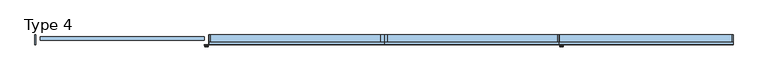
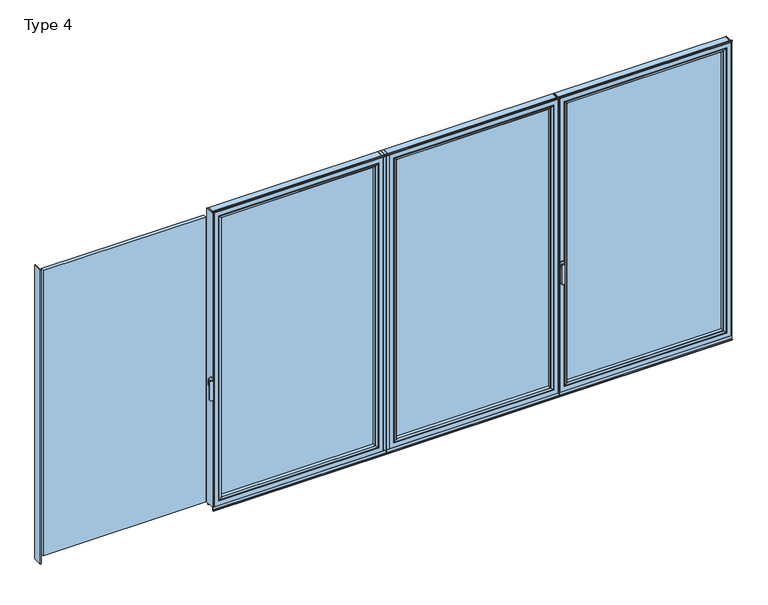
"""IFC4 building model written with IfcOpenShell, lengths in millimetres: window geometry, Type 4."""

from ifc_helpers import new_model, si_unit, point, frame, frame_2d, origin, place, context, project, spatial, polyline, circle_curve, ellipse_curve, trimmed, segment, composite_curve, outline, extrude, source, transform, mapped, element, save
from ifc_brep_helpers import plane_surface, cylinder_surface, extruded_surface, advanced_brep


def type_4_e42dda11(model_context):
    return source(origin(), model_context, "Body", "SolidModel", [
        extrude(outline(polyline([(0.0, 0.0), (0.0, -70.0), (-22.5, -70.0), (-22.5, 0.0), (0.0, 0.0)])), frame((0.0, 0.0, 75.0), z_axis=(0.0, 0.0, 1.0), x_axis=(1.0, 0.0, 0.0)), (0.0, 0.0, 1.0), 2262.0),
        extrude(outline(polyline([(-1259.4, 0.0), (-1253.4, 0.0), (-1253.4, -70.0), (-1259.4, -70.0), (-1259.4, 0.0)])), frame((0.0, 0.0, 75.0), z_axis=(0.0, 0.0, 1.0), x_axis=(1.0, 0.0, 0.0)), (0.0, 0.0, 1.0), 2262.0),
        extrude(outline(polyline([(-54.5, -13.999939), (-54.5, -37.9928974), (-1221.4, -37.9928974), (-1221.4, -13.999939), (-54.5, -13.999939)])), frame((0.0, 0.0, 107.0), z_axis=(0.0, 0.0, 1.0), x_axis=(1.0, 0.0, 0.0)), (0.0, 0.0, 1.0), 2198.0),
        advanced_brep(
        [(-1199.4004272, -64.5552044, 2283.0004272), (-1199.4004272, -64.5552044, 128.9995728), (-1199.4004272, -37.9928974, 128.9995728), (-1199.4004272, -37.9928974, 2283.0004272), (-1221.4, -37.9928974, 2305.0), (-54.5, -37.9928974, 2305.0), (-54.5, -37.9928974, 107.0), (-1221.4, -37.9928974, 107.0), (-76.4995728, -37.9928974, 2283.0004272), (-76.4995728, -37.9928974, 128.9995728), (-76.4995728, -64.5552044, 128.9995728), (-1200.1099707, -65.8045072, 2283.7099707), (-1200.1099707, -65.8045072, 128.2900293), (-75.7900293, -65.8045072, 128.2900293), (-1215.400061, -70.0, 2299.000061), (-1215.400061, -70.0, 112.999939), (-60.499939, -70.0, 112.999939), (-54.5, -70.0, 2305.0), (-1221.4, -70.0, 2305.0), (-1221.4, -70.0, 107.0), (-54.5, -70.0, 107.0), (-60.499939, -70.0, 2299.000061), (-76.4995728, -64.5552044, 2283.0004272), (-75.7900293, -65.8045072, 2283.7099707)],
        [
            (0, 1),
            (1, 2),
            (2, 3),
            (3, 0),
            (4, 5),
            (5, 6),
            (6, 7),
            (7, 4),
            (8, 3),
            (2, 9),
            (9, 8),
            (1, 10),
            (10, 9),
            (11, 12),
            (12, 1, ellipse_curve(frame((-1200.8550312, -64.5552044, 127.5449688), z_axis=(-0.7071067811865475, 0.0, 0.7071067811865475), x_axis=(0.7071067811865474, 0.0, 0.7071067811865476)), 2.0571207, 1.454604)),
            (0, 11, ellipse_curve(frame((-1200.8550312, -64.5552044, 2284.4550312), z_axis=(-0.7071067811865475, 0.0, -0.7071067811865475), x_axis=(-0.7071067811865474, 0.0, 0.7071067811865476)), 2.0571207, 1.454604)),
            (12, 13),
            (13, 10, ellipse_curve(frame((-75.0449688, -64.5552044, 127.5449688), z_axis=(-0.7071067811865475, 0.0, -0.7071067811865475), x_axis=(-0.7071067811865476, 0.0, 0.7071067811865474)), 2.0571207, 1.454604)),
            (14, 15),
            (15, 12, ellipse_curve(frame((-1215.3361254, -40.2735922, 113.0638746), z_axis=(-0.7071067811865475, 0.0, 0.7071067811865475), x_axis=(0.7071067811865474, 0.0, 0.7071067811865476)), 42.0395863, 29.7264765)),
            (11, 14, ellipse_curve(frame((-1215.3361254, -40.2735922, 2298.9361254), z_axis=(-0.7071067811865475, 0.0, -0.7071067811865475), x_axis=(-0.7071067811865474, 0.0, 0.7071067811865476)), 42.0395863, 29.7264765)),
            (15, 16),
            (16, 13, ellipse_curve(frame((-60.5638746, -40.2735922, 113.0638746), z_axis=(-0.7071067811865475, 0.0, -0.7071067811865475), x_axis=(-0.7071067811865476, 0.0, 0.7071067811865474)), 42.0395863, 29.7264765)),
            (17, 18),
            (18, 19),
            (19, 20),
            (20, 17),
            (14, 21),
            (21, 16),
            (7, 19),
            (18, 4),
            (6, 20),
            (10, 22),
            (22, 8),
            (13, 23),
            (23, 22, ellipse_curve(frame((-75.0449688, -64.5552044, 2284.4550312), z_axis=(0.7071067811865475, 0.0, -0.7071067811865475), x_axis=(-0.7071067811865474, 0.0, -0.7071067811865476)), 2.0571207, 1.454604)),
            (21, 23, ellipse_curve(frame((-60.5638746, -40.2735922, 2298.9361254), z_axis=(0.7071067811865475, 0.0, -0.7071067811865475), x_axis=(-0.7071067811865474, 0.0, -0.7071067811865476)), 42.0395863, 29.7264765)),
            (5, 17),
            (22, 0),
            (23, 11),
        ],
        [
            plane_surface(frame((-1199.4004272, -37.9928974, 2283.0004272), z_axis=(1.0, 0.0, 0.0), x_axis=(0.0, 0.0, -1.0))),
            plane_surface(frame((-54.5, -37.9928974, 107.0), z_axis=(0.0, 1.0, 0.0), x_axis=(0.0, 0.0, 1.0))),
            plane_surface(frame((-1199.4004272, -37.9928974, 128.9995728), z_axis=(0.0, 0.0, 1.0), x_axis=(1.0, 0.0, 0.0))),
            cylinder_surface(frame((-1200.8550312, -64.5552044, 2283.0004272), z_axis=(0.0, 0.0, 1.0), x_axis=(-1.0, 0.0, 0.0)), 1.454604),
            cylinder_surface(frame((-1199.4004272, -64.5552044, 127.5449688), z_axis=(-1.0, 0.0, 0.0), x_axis=(0.0, 0.0, -1.0)), 1.454604),
            cylinder_surface(frame((-1215.3361254, -40.2735922, 2283.0004272), z_axis=(0.0, 0.0, 1.0), x_axis=(-1.0, 0.0, 0.0)), 29.7264765),
            cylinder_surface(frame((-1199.4004272, -40.2735922, 113.0638746), z_axis=(-1.0, 0.0, 0.0), x_axis=(0.0, 0.0, -1.0)), 29.7264765),
            plane_surface(frame((-60.499939, -70.0, 112.999939), z_axis=(0.0, -1.0, 0.0), x_axis=(0.0, 0.0, 1.0))),
            plane_surface(frame((-1221.4, -70.0, 2305.0), z_axis=(-1.0, 0.0, 0.0), x_axis=(0.0, 0.0, -1.0))),
            plane_surface(frame((-1221.4, -70.0, 107.0), z_axis=(0.0, 0.0, -1.0), x_axis=(1.0, 0.0, 0.0))),
            plane_surface(frame((-76.4995728, -37.9928974, 128.9995728), z_axis=(-1.0, 0.0, 0.0), x_axis=(0.0, 0.0, 1.0))),
            cylinder_surface(frame((-75.0449688, -64.5552044, 128.9995728), z_axis=(0.0, 0.0, -1.0), x_axis=(1.0, 0.0, 0.0)), 1.454604),
            cylinder_surface(frame((-60.5638746, -40.2735922, 128.9995728), z_axis=(0.0, 0.0, -1.0), x_axis=(1.0, 0.0, 0.0)), 29.7264765),
            plane_surface(frame((-54.5, -70.0, 107.0), z_axis=(1.0, 0.0, 0.0), x_axis=(0.0, 0.0, 1.0))),
            plane_surface(frame((-76.4995728, -37.9928974, 2283.0004272), z_axis=(0.0, 0.0, -1.0), x_axis=(-1.0, 0.0, 0.0))),
            cylinder_surface(frame((-76.4995728, -64.5552044, 2284.4550312), z_axis=(1.0, 0.0, 0.0), x_axis=(0.0, 0.0, 1.0)), 1.454604),
            cylinder_surface(frame((-76.4995728, -40.2735922, 2298.9361254), z_axis=(1.0, 0.0, 0.0), x_axis=(0.0, 0.0, 1.0)), 29.7264765),
            plane_surface(frame((-54.5, -70.0, 2305.0), z_axis=(0.0, 0.0, 1.0), x_axis=(-1.0, 0.0, 0.0))),
        ],
        [
            (0, [[1, 2, 3, 4]]),
            (1, [[5, 6, 7, 8], [9, -3, 10, 11]]),
            (2, [[12, 13, -10, -2]]),
            (3, [[14, 15, -1, 16]]),
            (4, [[17, 18, -12, -15]]),
            (5, [[19, 20, -14, 21]]),
            (6, [[22, 23, -17, -20]]),
            (7, [[24, 25, 26, 27], [28, 29, -22, -19]]),
            (8, [[-8, 30, -25, 31]]),
            (9, [[-7, 32, -26, -30]]),
            (10, [[33, 34, -11, -13]]),
            (11, [[35, 36, -33, -18]]),
            (12, [[-29, 37, -35, -23]]),
            (13, [[-6, 38, -27, -32]]),
            (14, [[39, -4, -9, -34]]),
            (15, [[40, -16, -39, -36]]),
            (16, [[-28, -21, -40, -37]]),
            (17, [[-5, -31, -24, -38]]),
        ],
    ),
        advanced_brep(
        [(-22.5, -70.0, 2337.0), (-22.5, -70.0, 75.0), (-22.5, 0.0, 75.0), (-22.5, 0.0, 2337.0), (-1253.4, -70.0, 75.0), (-1253.4, 0.0, 75.0), (-1253.4, 0.0, 2337.0), (-1203.9008099, 0.0, 124.4991901), (-71.9991901, 0.0, 124.4991901), (-71.9991901, 0.0, 2287.5008099), (-1203.9008099, 0.0, 2287.5008099), (-1253.4, -70.0, 2337.0), (-54.5, -70.0, 107.0), (-1221.4, -70.0, 107.0), (-1221.4, -70.0, 2305.0), (-54.5, -70.0, 2305.0), (-54.5, -13.999939, 2305.0), (-54.5, -13.999939, 107.0), (-1221.4, -13.999939, 107.0), (-1221.4, -13.999939, 2305.0), (-76.4995728, -13.999939, 128.9995728), (-1199.4004272, -13.999939, 128.9995728), (-1199.4004272, -13.999939, 2283.0004272), (-76.4995728, -13.999939, 2283.0004272), (-76.4995728, -4.5004435, 2283.0004272), (-76.4995728, -4.5004435, 128.9995728), (-1199.4004272, -4.5004435, 128.9995728), (-1199.4004272, -4.5004435, 2283.0004272)],
        [
            (0, 1),
            (1, 2),
            (2, 3),
            (3, 0),
            (1, 4),
            (4, 5),
            (5, 2),
            (5, 6),
            (6, 3),
            (7, 8),
            (8, 9),
            (9, 10),
            (10, 7),
            (4, 11),
            (11, 6),
            (0, 11),
            (12, 13),
            (13, 14),
            (14, 15),
            (15, 12),
            (16, 17),
            (17, 12),
            (15, 16),
            (17, 18),
            (18, 13),
            (18, 19),
            (19, 14),
            (16, 19),
            (20, 21),
            (21, 22),
            (22, 23),
            (23, 20),
            (24, 25),
            (25, 20),
            (23, 24),
            (25, 26),
            (26, 21),
            (26, 27),
            (27, 22),
            (7, 26, ellipse_curve(frame((-1203.9008099, -4.5004435, 124.4991901), z_axis=(0.7071067811865475, 0.0, -0.7071067811865475), x_axis=(0.7071067811865476, 0.0, 0.7071067811865474)), 6.3645023, 4.5003827)),
            (25, 8, ellipse_curve(frame((-71.9991901, -4.5004435, 124.4991901), z_axis=(-0.7071067811865475, 0.0, -0.7071067811865475), x_axis=(0.7071067811865476, 0.0, -0.7071067811865474)), 6.3645023, 4.5003827)),
            (24, 9, ellipse_curve(frame((-71.9991901, -4.5004435, 2287.5008099), z_axis=(0.7071067811865475, 0.0, -0.7071067811865475), x_axis=(0.7071067811865474, 0.0, 0.7071067811865476)), 6.3645023, 4.5003827)),
            (10, 27, ellipse_curve(frame((-1203.9008099, -4.5004435, 2287.5008099), z_axis=(-0.7071067811865475, 0.0, -0.7071067811865475), x_axis=(0.7071067811865474, 0.0, -0.7071067811865476)), 6.3645023, 4.5003827)),
            (27, 24),
        ],
        [
            plane_surface(frame((-22.5, 0.0, 2337.0), z_axis=(1.0, 0.0, 0.0), x_axis=(0.0, 0.0, -1.0))),
            plane_surface(frame((-22.5, 0.0, 75.0), z_axis=(0.0, 0.0, -1.0), x_axis=(-1.0, 0.0, 0.0))),
            plane_surface(frame((-71.9991901, 0.0, 2287.5008099), z_axis=(0.0, 1.0, 0.0), x_axis=(0.0, 0.0, -1.0))),
            plane_surface(frame((-1253.4, 0.0, 75.0), z_axis=(-1.0, 0.0, 0.0), x_axis=(0.0, 0.0, 1.0))),
            plane_surface(frame((-22.5, -70.0, 2337.0), z_axis=(0.0, -1.0, 0.0), x_axis=(0.0, 0.0, -1.0))),
            plane_surface(frame((-54.5, -70.0, 2305.0), z_axis=(-1.0, 0.0, 0.0), x_axis=(0.0, 0.0, -1.0))),
            plane_surface(frame((-54.5, -70.0, 107.0), z_axis=(0.0, 0.0, 1.0), x_axis=(-1.0, 0.0, 0.0))),
            plane_surface(frame((-1221.4, -70.0, 107.0), z_axis=(1.0, 0.0, 0.0), x_axis=(0.0, 0.0, 1.0))),
            plane_surface(frame((-54.5, -13.999939, 2305.0), z_axis=(0.0, -1.0, 0.0), x_axis=(0.0, 0.0, -1.0))),
            plane_surface(frame((-76.4995728, -13.999939, 2283.0004272), z_axis=(-1.0, 0.0, 0.0), x_axis=(0.0, 0.0, -1.0))),
            plane_surface(frame((-76.4995728, -13.999939, 128.9995728), z_axis=(0.0, 0.0, 1.0), x_axis=(-1.0, 0.0, 0.0))),
            plane_surface(frame((-1199.4004272, -13.999939, 128.9995728), z_axis=(1.0, 0.0, 0.0), x_axis=(0.0, 0.0, 1.0))),
            cylinder_surface(frame((-16.5, -4.5004435, 124.4991901), z_axis=(1.0, 0.0, 0.0), x_axis=(0.0, -1.0, 0.0)), 4.5003827),
            cylinder_surface(frame((-71.9991901, -4.5004435, 2343.0), z_axis=(0.0, 0.0, 1.0), x_axis=(0.0, -1.0, 0.0)), 4.5003827),
            cylinder_surface(frame((-1203.9008099, -4.5004435, 69.0), z_axis=(0.0, 0.0, -1.0), x_axis=(0.0, -1.0, 0.0)), 4.5003827),
            plane_surface(frame((-1253.4, 0.0, 2337.0), z_axis=(0.0, 0.0, 1.0), x_axis=(1.0, 0.0, 0.0))),
            plane_surface(frame((-1221.4, -70.0, 2305.0), z_axis=(0.0, 0.0, -1.0), x_axis=(1.0, 0.0, 0.0))),
            plane_surface(frame((-1199.4004272, -13.999939, 2283.0004272), z_axis=(0.0, 0.0, -1.0), x_axis=(1.0, 0.0, 0.0))),
            cylinder_surface(frame((-1259.4, -4.5004435, 2287.5008099), z_axis=(-1.0, 0.0, 0.0), x_axis=(0.0, -1.0, 0.0)), 4.5003827),
        ],
        [
            (0, [[1, 2, 3, 4]]),
            (1, [[5, 6, 7, -2]]),
            (2, [[-7, 8, 9, -3], [10, 11, 12, 13]]),
            (3, [[14, 15, -8, -6]]),
            (4, [[-5, -1, 16, -14], [17, 18, 19, 20]]),
            (5, [[21, 22, -20, 23]]),
            (6, [[24, 25, -17, -22]]),
            (7, [[26, 27, -18, -25]]),
            (8, [[-24, -21, 28, -26], [29, 30, 31, 32]]),
            (9, [[33, 34, -32, 35]]),
            (10, [[36, 37, -29, -34]]),
            (11, [[38, 39, -30, -37]]),
            (12, [[-10, 40, -36, 41]]),
            (13, [[-11, -41, -33, 42]]),
            (14, [[-13, 43, -38, -40]]),
            (15, [[-16, -4, -9, -15]]),
            (16, [[-28, -23, -19, -27]]),
            (17, [[44, -35, -31, -39]]),
            (18, [[-12, -42, -44, -43]]),
        ],
    ),
        extrude(outline(polyline([(0.0, -7.6000076), (-1259.4, -7.6000076), (-1259.4, 0.0), (0.0, 0.0), (0.0, -7.6000076)])), frame((0.0, 0.0, 52.9995117), z_axis=(0.0, 0.0, 1.0), x_axis=(1.0, 0.0, 0.0)), (0.0, 0.0, 1.0), 22.0004883),
        extrude(outline(composite_curve([segment(polyline([(-70.0, 45.0), (-70.0, 41.2896854), (-70.8737, 41.2896854), (-71.8670103, 44.9870904)]), True, "CONTINUOUS"), segment(trimmed(circle_curve(frame_2d((-69.9354978, 45.5059925)), 2.0), [point((-71.8670103, 44.9870904))], [point((-71.8566157, 46.0621453))], False, "CARTESIAN"), True, "CONTINUOUS"), segment(polyline([(-71.8566157, 46.0621453), (-70.0, 52.4754501), (-70.0, 75.0), (-62.2757497, 75.0), (-62.2757497, 45.0), (-70.0, 45.0)]), True, "CONTINUOUS")], self_intersect=False)), frame((-1259.4, 0.0, 0.0), z_axis=(1.0, 0.0, 0.0), x_axis=(0.0, 1.0, 0.0)), (0.0, 0.0, 1.0), 1259.4),
        extrude(outline(composite_curve([segment(polyline([(-52.044326, 2339.1400778), (-52.044326, 2337.0), (-70.0, 2337.0), (-71.8735116, 2343.9547971)]), True, "CONTINUOUS"), segment(trimmed(circle_curve(frame_2d((-69.9423544, 2344.4750201)), 2.0), [point((-71.8735116, 2343.9547971))], [point((-71.8738669, 2344.9939222))], False, "CARTESIAN"), True, "CONTINUOUS"), segment(polyline([(-71.8738669, 2344.9939222), (-70.8937897, 2348.6420698), (-70.0, 2348.6420698), (-70.0, 2342.963961), (-68.6363596, 2339.1400778), (-52.044326, 2339.1400778)]), True, "CONTINUOUS")], self_intersect=False)), frame((-1259.4, 0.0, 0.0), z_axis=(1.0, 0.0, 0.0), x_axis=(0.0, 1.0, 0.0)), (0.0, 0.0, 1.0), 1259.4),
        extrude(outline(polyline([(0.0, 0.0), (22.5, 0.0), (22.5, -70.0), (0.0, -70.0), (0.0, 0.0)])), frame((0.0, 0.0, 75.0), z_axis=(0.0, 0.0, 1.0), x_axis=(1.0, 0.0, 0.0)), (0.0, 0.0, 1.0), 2262.0),
        extrude(outline(polyline([(1259.4, 0.0), (1259.4, -70.0), (1253.4, -70.0), (1253.4, 0.0), (1259.4, 0.0)])), frame((0.0, 0.0, 75.0), z_axis=(0.0, 0.0, 1.0), x_axis=(1.0, 0.0, 0.0)), (0.0, 0.0, 1.0), 2262.0),
        extrude(outline(polyline([(54.5, -13.999939), (1221.4, -13.999939), (1221.4, -37.9928974), (54.5, -37.9928974), (54.5, -13.999939)])), frame((0.0, 0.0, 107.0), z_axis=(0.0, 0.0, 1.0), x_axis=(1.0, 0.0, 0.0)), (0.0, 0.0, 1.0), 2198.0),
        advanced_brep(
        [(1199.4004272, -64.5552044, 2283.0004272), (1199.4004272, -37.9928974, 2283.0004272), (1199.4004272, -37.9928974, 128.9995728), (1199.4004272, -64.5552044, 128.9995728), (1221.4, -37.9928974, 2305.0), (1221.4, -37.9928974, 107.0), (54.5, -37.9928974, 107.0), (54.5, -37.9928974, 2305.0), (76.4995728, -37.9928974, 2283.0004272), (76.4995728, -37.9928974, 128.9995728), (76.4995728, -64.5552044, 128.9995728), (1200.1099707, -65.8045072, 2283.7099707), (1200.1099707, -65.8045072, 128.2900293), (75.7900293, -65.8045072, 128.2900293), (1215.400061, -70.0, 2299.000061), (1215.400061, -70.0, 112.999939), (60.499939, -70.0, 112.999939), (54.5, -70.0, 2305.0), (54.5, -70.0, 107.0), (1221.4, -70.0, 107.0), (1221.4, -70.0, 2305.0), (60.499939, -70.0, 2299.000061), (76.4995728, -64.5552044, 2283.0004272), (75.7900293, -65.8045072, 2283.7099707)],
        [
            (0, 1),
            (1, 2),
            (2, 3),
            (3, 0),
            (4, 5),
            (5, 6),
            (6, 7),
            (7, 4),
            (8, 9),
            (9, 2),
            (1, 8),
            (9, 10),
            (10, 3),
            (11, 0, ellipse_curve(frame((1200.8550312, -64.5552044, 2284.4550312), z_axis=(0.7071067811865475, 0.0, -0.7071067811865475), x_axis=(0.7071067811865474, 0.0, 0.7071067811865476)), 2.0571207, 1.454604)),
            (3, 12, ellipse_curve(frame((1200.8550312, -64.5552044, 127.5449688), z_axis=(0.7071067811865475, 0.0, 0.7071067811865475), x_axis=(-0.7071067811865474, 0.0, 0.7071067811865476)), 2.0571207, 1.454604)),
            (12, 11),
            (10, 13, ellipse_curve(frame((75.0449688, -64.5552044, 127.5449688), z_axis=(0.7071067811865475, 0.0, -0.7071067811865475), x_axis=(0.7071067811865476, 0.0, 0.7071067811865474)), 2.0571207, 1.454604)),
            (13, 12),
            (14, 11, ellipse_curve(frame((1215.3361254, -40.2735922, 2298.9361254), z_axis=(0.7071067811865475, 0.0, -0.7071067811865475), x_axis=(0.7071067811865474, 0.0, 0.7071067811865476)), 42.0395863, 29.7264765)),
            (12, 15, ellipse_curve(frame((1215.3361254, -40.2735922, 113.0638746), z_axis=(0.7071067811865475, 0.0, 0.7071067811865475), x_axis=(-0.7071067811865474, 0.0, 0.7071067811865476)), 42.0395863, 29.7264765)),
            (15, 14),
            (13, 16, ellipse_curve(frame((60.5638746, -40.2735922, 113.0638746), z_axis=(0.7071067811865475, 0.0, -0.7071067811865475), x_axis=(0.7071067811865476, 0.0, 0.7071067811865474)), 42.0395863, 29.7264765)),
            (16, 15),
            (17, 18),
            (18, 19),
            (19, 20),
            (20, 17),
            (16, 21),
            (21, 14),
            (4, 20),
            (19, 5),
            (18, 6),
            (8, 22),
            (22, 10),
            (22, 23, ellipse_curve(frame((75.0449688, -64.5552044, 2284.4550312), z_axis=(-0.7071067811865475, 0.0, -0.7071067811865475), x_axis=(0.7071067811865474, 0.0, -0.7071067811865476)), 2.0571207, 1.454604)),
            (23, 13),
            (23, 21, ellipse_curve(frame((60.5638746, -40.2735922, 2298.9361254), z_axis=(-0.7071067811865475, 0.0, -0.7071067811865475), x_axis=(0.7071067811865474, 0.0, -0.7071067811865476)), 42.0395863, 29.7264765)),
            (17, 7),
            (0, 22),
            (11, 23),
        ],
        [
            plane_surface(frame((1199.4004272, -37.9928974, 2283.0004272), z_axis=(-1.0, 0.0, 0.0), x_axis=(0.0, 0.0, -1.0))),
            plane_surface(frame((54.5, -37.9928974, 107.0), z_axis=(0.0, 1.0, 0.0), x_axis=(0.0, 0.0, 1.0))),
            plane_surface(frame((1199.4004272, -37.9928974, 128.9995728), z_axis=(0.0, 0.0, 1.0), x_axis=(-1.0, 0.0, 0.0))),
            cylinder_surface(frame((1200.8550312, -64.5552044, 2283.0004272), z_axis=(0.0, 0.0, 1.0), x_axis=(1.0, 0.0, 0.0)), 1.454604),
            cylinder_surface(frame((1199.4004272, -64.5552044, 127.5449688), z_axis=(1.0, 0.0, 0.0), x_axis=(0.0, 0.0, -1.0)), 1.454604),
            cylinder_surface(frame((1215.3361254, -40.2735922, 2283.0004272), z_axis=(0.0, 0.0, 1.0), x_axis=(1.0, 0.0, 0.0)), 29.7264765),
            cylinder_surface(frame((1199.4004272, -40.2735922, 113.0638746), z_axis=(1.0, 0.0, 0.0), x_axis=(0.0, 0.0, -1.0)), 29.7264765),
            plane_surface(frame((60.499939, -70.0, 112.999939), z_axis=(0.0, -1.0, 0.0), x_axis=(0.0, 0.0, 1.0))),
            plane_surface(frame((1221.4, -70.0, 2305.0), z_axis=(1.0, 0.0, 0.0), x_axis=(0.0, 0.0, -1.0))),
            plane_surface(frame((1221.4, -70.0, 107.0), z_axis=(0.0, 0.0, -1.0), x_axis=(-1.0, 0.0, 0.0))),
            plane_surface(frame((76.4995728, -37.9928974, 128.9995728), z_axis=(1.0, 0.0, 0.0), x_axis=(0.0, 0.0, 1.0))),
            cylinder_surface(frame((75.0449688, -64.5552044, 128.9995728), z_axis=(0.0, 0.0, -1.0), x_axis=(-1.0, 0.0, 0.0)), 1.454604),
            cylinder_surface(frame((60.5638746, -40.2735922, 128.9995728), z_axis=(0.0, 0.0, -1.0), x_axis=(-1.0, 0.0, 0.0)), 29.7264765),
            plane_surface(frame((54.5, -70.0, 107.0), z_axis=(-1.0, 0.0, 0.0), x_axis=(0.0, 0.0, 1.0))),
            plane_surface(frame((76.4995728, -37.9928974, 2283.0004272), z_axis=(0.0, 0.0, -1.0), x_axis=(1.0, 0.0, 0.0))),
            cylinder_surface(frame((76.4995728, -64.5552044, 2284.4550312), z_axis=(-1.0, 0.0, 0.0), x_axis=(0.0, 0.0, 1.0)), 1.454604),
            cylinder_surface(frame((76.4995728, -40.2735922, 2298.9361254), z_axis=(-1.0, 0.0, 0.0), x_axis=(0.0, 0.0, 1.0)), 29.7264765),
            plane_surface(frame((54.5, -70.0, 2305.0), z_axis=(0.0, 0.0, 1.0), x_axis=(1.0, 0.0, 0.0))),
        ],
        [
            (0, [[1, 2, 3, 4]]),
            (1, [[5, 6, 7, 8], [9, 10, -2, 11]]),
            (2, [[-3, -10, 12, 13]]),
            (3, [[14, -4, 15, 16]]),
            (4, [[-15, -13, 17, 18]]),
            (5, [[19, -16, 20, 21]]),
            (6, [[-20, -18, 22, 23]]),
            (7, [[24, 25, 26, 27], [-21, -23, 28, 29]]),
            (8, [[30, -26, 31, -5]]),
            (9, [[-31, -25, 32, -6]]),
            (10, [[-12, -9, 33, 34]]),
            (11, [[-17, -34, 35, 36]]),
            (12, [[-22, -36, 37, -28]]),
            (13, [[-32, -24, 38, -7]]),
            (14, [[-33, -11, -1, 39]]),
            (15, [[-35, -39, -14, 40]]),
            (16, [[-37, -40, -19, -29]]),
            (17, [[-38, -27, -30, -8]]),
        ],
    ),
        advanced_brep(
        [(22.5, -70.0, 2337.0), (22.5, 0.0, 2337.0), (22.5, 0.0, 75.0), (22.5, -70.0, 75.0), (1253.4, 0.0, 75.0), (1253.4, -70.0, 75.0), (1253.4, 0.0, 2337.0), (1203.9008099, 0.0, 124.4991901), (1203.9008099, 0.0, 2287.5008099), (71.9991901, 0.0, 2287.5008099), (71.9991901, 0.0, 124.4991901), (1253.4, -70.0, 2337.0), (54.5, -70.0, 107.0), (54.5, -70.0, 2305.0), (1221.4, -70.0, 2305.0), (1221.4, -70.0, 107.0), (54.5, -13.999939, 2305.0), (54.5, -13.999939, 107.0), (1221.4, -13.999939, 107.0), (1221.4, -13.999939, 2305.0), (76.4995728, -13.999939, 128.9995728), (76.4995728, -13.999939, 2283.0004272), (1199.4004272, -13.999939, 2283.0004272), (1199.4004272, -13.999939, 128.9995728), (76.4995728, -4.5004435, 2283.0004272), (76.4995728, -4.5004435, 128.9995728), (1199.4004272, -4.5004435, 128.9995728), (1199.4004272, -4.5004435, 2283.0004272)],
        [
            (0, 1),
            (1, 2),
            (2, 3),
            (3, 0),
            (2, 4),
            (4, 5),
            (5, 3),
            (1, 6),
            (6, 4),
            (7, 8),
            (8, 9),
            (9, 10),
            (10, 7),
            (6, 11),
            (11, 5),
            (11, 0),
            (12, 13),
            (13, 14),
            (14, 15),
            (15, 12),
            (16, 13),
            (12, 17),
            (17, 16),
            (15, 18),
            (18, 17),
            (14, 19),
            (19, 18),
            (19, 16),
            (20, 21),
            (21, 22),
            (22, 23),
            (23, 20),
            (24, 21),
            (20, 25),
            (25, 24),
            (23, 26),
            (26, 25),
            (22, 27),
            (27, 26),
            (10, 25, ellipse_curve(frame((71.9991901, -4.5004435, 124.4991901), z_axis=(0.7071067811865475, 0.0, -0.7071067811865475), x_axis=(-0.7071067811865476, 0.0, -0.7071067811865474)), 6.3645023, 4.5003827)),
            (26, 7, ellipse_curve(frame((1203.9008099, -4.5004435, 124.4991901), z_axis=(-0.7071067811865475, 0.0, -0.7071067811865475), x_axis=(-0.7071067811865476, 0.0, 0.7071067811865474)), 6.3645023, 4.5003827)),
            (9, 24, ellipse_curve(frame((71.9991901, -4.5004435, 2287.5008099), z_axis=(-0.7071067811865475, 0.0, -0.7071067811865475), x_axis=(-0.7071067811865474, 0.0, 0.7071067811865476)), 6.3645023, 4.5003827)),
            (27, 8, ellipse_curve(frame((1203.9008099, -4.5004435, 2287.5008099), z_axis=(0.7071067811865475, 0.0, -0.7071067811865475), x_axis=(-0.7071067811865474, 0.0, -0.7071067811865476)), 6.3645023, 4.5003827)),
            (24, 27),
        ],
        [
            plane_surface(frame((22.5, 0.0, 2337.0), z_axis=(-1.0, 0.0, 0.0), x_axis=(0.0, 0.0, -1.0))),
            plane_surface(frame((22.5, 0.0, 75.0), z_axis=(0.0, 0.0, -1.0), x_axis=(1.0, 0.0, 0.0))),
            plane_surface(frame((71.9991901, 0.0, 2287.5008099), z_axis=(0.0, 1.0, 0.0), x_axis=(0.0, 0.0, -1.0))),
            plane_surface(frame((1253.4, 0.0, 75.0), z_axis=(1.0, 0.0, 0.0), x_axis=(0.0, 0.0, 1.0))),
            plane_surface(frame((22.5, -70.0, 2337.0), z_axis=(0.0, -1.0, 0.0), x_axis=(0.0, 0.0, -1.0))),
            plane_surface(frame((54.5, -70.0, 2305.0), z_axis=(1.0, 0.0, 0.0), x_axis=(0.0, 0.0, -1.0))),
            plane_surface(frame((54.5, -70.0, 107.0), z_axis=(0.0, 0.0, 1.0), x_axis=(1.0, 0.0, 0.0))),
            plane_surface(frame((1221.4, -70.0, 107.0), z_axis=(-1.0, 0.0, 0.0), x_axis=(0.0, 0.0, 1.0))),
            plane_surface(frame((54.5, -13.999939, 2305.0), z_axis=(0.0, -1.0, 0.0), x_axis=(0.0, 0.0, -1.0))),
            plane_surface(frame((76.4995728, -13.999939, 2283.0004272), z_axis=(1.0, 0.0, 0.0), x_axis=(0.0, 0.0, -1.0))),
            plane_surface(frame((76.4995728, -13.999939, 128.9995728), z_axis=(0.0, 0.0, 1.0), x_axis=(1.0, 0.0, 0.0))),
            plane_surface(frame((1199.4004272, -13.999939, 128.9995728), z_axis=(-1.0, 0.0, 0.0), x_axis=(0.0, 0.0, 1.0))),
            cylinder_surface(frame((16.5, -4.5004435, 124.4991901), z_axis=(-1.0, 0.0, 0.0), x_axis=(0.0, -1.0, 0.0)), 4.5003827),
            cylinder_surface(frame((71.9991901, -4.5004435, 2343.0), z_axis=(0.0, 0.0, 1.0), x_axis=(0.0, -1.0, 0.0)), 4.5003827),
            cylinder_surface(frame((1203.9008099, -4.5004435, 69.0), z_axis=(0.0, 0.0, -1.0), x_axis=(0.0, -1.0, 0.0)), 4.5003827),
            plane_surface(frame((1253.4, 0.0, 2337.0), z_axis=(0.0, 0.0, 1.0), x_axis=(-1.0, 0.0, 0.0))),
            plane_surface(frame((1221.4, -70.0, 2305.0), z_axis=(0.0, 0.0, -1.0), x_axis=(-1.0, 0.0, 0.0))),
            plane_surface(frame((1199.4004272, -13.999939, 2283.0004272), z_axis=(0.0, 0.0, -1.0), x_axis=(-1.0, 0.0, 0.0))),
            cylinder_surface(frame((1259.4, -4.5004435, 2287.5008099), z_axis=(1.0, 0.0, 0.0), x_axis=(0.0, -1.0, 0.0)), 4.5003827),
        ],
        [
            (0, [[1, 2, 3, 4]]),
            (1, [[-3, 5, 6, 7]]),
            (2, [[-2, 8, 9, -5], [10, 11, 12, 13]]),
            (3, [[-6, -9, 14, 15]]),
            (4, [[-15, 16, -4, -7], [17, 18, 19, 20]]),
            (5, [[21, -17, 22, 23]]),
            (6, [[-22, -20, 24, 25]]),
            (7, [[-24, -19, 26, 27]]),
            (8, [[-27, 28, -23, -25], [29, 30, 31, 32]]),
            (9, [[33, -29, 34, 35]]),
            (10, [[-34, -32, 36, 37]]),
            (11, [[-36, -31, 38, 39]]),
            (12, [[40, -37, 41, -13]]),
            (13, [[42, -35, -40, -12]]),
            (14, [[-41, -39, 43, -10]]),
            (15, [[-14, -8, -1, -16]]),
            (16, [[-26, -18, -21, -28]]),
            (17, [[-38, -30, -33, 44]]),
            (18, [[-43, -44, -42, -11]]),
        ],
    ),
        extrude(outline(polyline([(0.0, -7.6000076), (0.0, 0.0), (1259.4, 0.0), (1259.4, -7.6000076), (0.0, -7.6000076)])), frame((0.0, 0.0, 52.9995117), z_axis=(0.0, 0.0, 1.0), x_axis=(1.0, 0.0, 0.0)), (0.0, 0.0, 1.0), 22.0004883),
        extrude(outline(composite_curve([segment(polyline([(-70.0, 45.0), (-70.0, 41.2896854), (-70.8737, 41.2896854), (-71.8670103, 44.9870904)]), True, "CONTINUOUS"), segment(trimmed(circle_curve(frame_2d((-69.9354978, 45.5059925)), 2.0), [point((-71.8670103, 44.9870904))], [point((-71.8566157, 46.0621453))], False, "CARTESIAN"), True, "CONTINUOUS"), segment(polyline([(-71.8566157, 46.0621453), (-70.0, 52.4754501), (-70.0, 75.0), (-62.2757497, 75.0), (-62.2757497, 45.0), (-70.0, 45.0)]), True, "CONTINUOUS")], self_intersect=False)), frame((0.0, 0.0, 0.0), z_axis=(1.0, 0.0, 0.0), x_axis=(0.0, 1.0, 0.0)), (0.0, 0.0, 1.0), 1259.4),
        extrude(outline(composite_curve([segment(polyline([(-52.044326, 2339.1400778), (-52.044326, 2337.0), (-70.0, 2337.0), (-71.8735116, 2343.9547971)]), True, "CONTINUOUS"), segment(trimmed(circle_curve(frame_2d((-69.9423544, 2344.4750201)), 2.0), [point((-71.8735116, 2343.9547971))], [point((-71.8738669, 2344.9939222))], False, "CARTESIAN"), True, "CONTINUOUS"), segment(polyline([(-71.8738669, 2344.9939222), (-70.8937897, 2348.6420698), (-70.0, 2348.6420698), (-70.0, 2342.963961), (-68.6363596, 2339.1400778), (-52.044326, 2339.1400778)]), True, "CONTINUOUS")], self_intersect=False)), frame((0.0, 0.0, 0.0), z_axis=(1.0, 0.0, 0.0), x_axis=(0.0, 1.0, 0.0)), (0.0, 0.0, 1.0), 1259.4),
        advanced_brep(
        [(1293.3886308, -73.5, 1050.0), (1269.4113692, -73.5, 1050.0), (1293.3886308, -76.8965533, 1050.0), (1269.4113692, -76.8965533, 1050.0), (1293.3886308, -84.5, 1050.0), (1269.4113692, -84.5, 1050.0), (1269.4113692, -84.5, 918.6867153), (1293.3886308, -84.5, 918.6867153), (1293.3886308, -76.8965533, 918.6867153), (1269.4113692, -76.8965533, 918.6867153)],
        [
            (0, 1, circle_curve(frame((1281.4, -73.5, 1050.0), z_axis=(0.0, 1.0, 0.0), x_axis=(-1.0, 0.0, 0.0)), 11.9886308)),
            (1, 0, circle_curve(frame((1281.4, -73.5, 1050.0), z_axis=(0.0, 1.0, 0.0), x_axis=(-1.0, 0.0, 0.0)), 11.9886308)),
            (0, 2),
            (2, 3, circle_curve(frame((1281.4, -76.8965533, 1050.0), z_axis=(0.0, 1.0, 0.0), x_axis=(-1.0, 0.0, 0.0)), 11.9886308)),
            (3, 1),
            (3, 2, circle_curve(frame((1281.4, -76.8965533, 1050.0), z_axis=(0.0, 1.0, 0.0), x_axis=(-1.0, 0.0, 0.0)), 11.9886308)),
            (4, 5, circle_curve(frame((1281.4, -84.5, 1050.0), z_axis=(0.0, -1.0, 0.0), x_axis=(-1.0, 0.0, 0.0)), 11.9886308)),
            (5, 6),
            (6, 7, ellipse_curve(frame((1281.4, -84.5, 918.6867153), z_axis=(0.0, -1.0, 0.0), x_axis=(1.0, 0.0, 0.0)), 11.9886308, 7.9050795)),
            (7, 4),
            (2, 8),
            (8, 9, ellipse_curve(frame((1281.4, -76.8965533, 918.6867153), z_axis=(0.0, 1.0, 0.0), x_axis=(1.0, 0.0, 0.0)), 11.9886308, 7.9050795)),
            (9, 3),
            (7, 8),
            (2, 4),
            (6, 9),
            (5, 3),
        ],
        [
            plane_surface(frame((1269.4113692, -73.5, 1050.0), z_axis=(0.0, 1.0, 0.0), x_axis=(0.0, 0.0, -1.0))),
            cylinder_surface(frame((1281.4, -73.5, 1050.0), z_axis=(0.0, -1.0, 0.0), x_axis=(-1.0, 0.0, 0.0)), 11.9886308),
            plane_surface(frame((1293.3886308, -84.5, 928.3382074), z_axis=(0.0, -1.0, 0.0), x_axis=(0.0, 0.0, -1.0))),
            plane_surface(frame((1293.3886308, -76.8965533, 928.3382074), z_axis=(0.0, 1.0, 0.0), x_axis=(0.0, 0.0, 1.0))),
            plane_surface(frame((1293.3886308, -84.5, 1050.0), z_axis=(1.0, 0.0, 0.0), x_axis=(0.0, 1.0, 0.0))),
            extruded_surface(trimmed(ellipse_curve(frame((1281.4, -76.8965533, 918.6867153), z_axis=(0.0, 1.0, 0.0), x_axis=(1.0, 0.0, 0.0)), 11.9886308, 7.9050795), [point((1293.3886308, -76.8965533, 918.6867153))], [point((1269.4113692, -76.8965533, 918.6867153))], True, "CARTESIAN"), (0.0, 7.603446699999992, 0.0), 7.603446699999992),
            plane_surface(frame((1269.4113692, -84.5, 918.6867153), z_axis=(-1.0, 0.0, 0.0), x_axis=(0.0, 1.0, 0.0))),
            cylinder_surface(frame((1281.4, -76.8965533, 1050.0), z_axis=(0.0, -1.0, 0.0), x_axis=(-1.0, 0.0, 0.0)), 11.9886308),
        ],
        [
            (0, [[1, 2]]),
            (1, [[3, 4, 5, -1]]),
            (1, [[-5, 6, -3, -2]]),
            (2, [[7, 8, 9, 10]]),
            (3, [[-4, 11, 12, 13]]),
            (4, [[14, -11, 15, -10]]),
            (5, [[16, -12, -14, -9]]),
            (6, [[17, -13, -16, -8]]),
            (7, [[-15, -6, -17, -7]]),
        ],
    ),
        extrude(outline(composite_curve([segment(trimmed(circle_curve(frame_2d((1068.75, 1281.4)), 14.0), [point((1068.75, 1295.4))], [point((1068.75, 1267.4))], False, "CARTESIAN"), True, "CONTINUOUS"), segment(polyline([(1068.75, 1267.4), (1031.25, 1267.4)]), True, "CONTINUOUS"), segment(trimmed(circle_curve(frame_2d((1031.25, 1281.4)), 14.0), [point((1031.25, 1267.4))], [point((1031.25, 1295.4))], False, "CARTESIAN"), True, "CONTINUOUS"), segment(polyline([(1031.25, 1295.4), (1068.75, 1295.4)]), True, "CONTINUOUS")], self_intersect=False)), frame((0.0, -73.5, 0.0), z_axis=(0.0, 1.0, 0.0), x_axis=(0.0, 0.0, 1.0)), (0.0, 0.0, 1.0), 3.5),
        extrude(outline(polyline([(2518.8, 0.0), (2518.8, -70.0), (2512.8, -70.0), (2512.8, 0.0), (2518.8, 0.0)])), frame((0.0, 0.0, 75.0), z_axis=(0.0, 0.0, 1.0), x_axis=(1.0, 0.0, 0.0)), (0.0, 0.0, 1.0), 2262.0),
        extrude(outline(polyline([(1259.4, 0.0), (1265.4, 0.0), (1265.4, -70.0), (1259.4, -70.0), (1259.4, 0.0)])), frame((0.0, 0.0, 75.0), z_axis=(0.0, 0.0, 1.0), x_axis=(1.0, 0.0, 0.0)), (0.0, 0.0, 1.0), 2262.0),
        extrude(outline(polyline([(2480.8, -13.999939), (2480.8, -37.9928974), (1297.4, -37.9928974), (1297.4, -13.999939), (2480.8, -13.999939)])), frame((0.0, 0.0, 107.0), z_axis=(0.0, 0.0, 1.0), x_axis=(1.0, 0.0, 0.0)), (0.0, 0.0, 1.0), 2198.0),
        advanced_brep(
        [(1319.3995728, -64.5552044, 2283.0004272), (1319.3995728, -64.5552044, 128.9995728), (1319.3995728, -37.9928974, 128.9995728), (1319.3995728, -37.9928974, 2283.0004272), (1297.4, -37.9928974, 2305.0), (2480.8, -37.9928974, 2305.0), (2480.8, -37.9928974, 107.0), (1297.4, -37.9928974, 107.0), (2458.8004272, -37.9928974, 2283.0004272), (2458.8004272, -37.9928974, 128.9995728), (2458.8004272, -64.5552044, 128.9995728), (1318.6900293, -65.8045072, 2283.7099707), (1318.6900293, -65.8045072, 128.2900293), (2459.5099707, -65.8045072, 128.2900293), (1303.399939, -70.0, 2299.000061), (1303.399939, -70.0, 112.999939), (2474.800061, -70.0, 112.999939), (2480.8, -70.0, 2305.0), (1297.4, -70.0, 2305.0), (1297.4, -70.0, 107.0), (2480.8, -70.0, 107.0), (2474.800061, -70.0, 2299.000061), (2458.8004272, -64.5552044, 2283.0004272), (2459.5099707, -65.8045072, 2283.7099707)],
        [
            (0, 1),
            (1, 2),
            (2, 3),
            (3, 0),
            (4, 5),
            (5, 6),
            (6, 7),
            (7, 4),
            (8, 3),
            (2, 9),
            (9, 8),
            (1, 10),
            (10, 9),
            (11, 12),
            (12, 1, ellipse_curve(frame((1317.9449688, -64.5552044, 127.5449688), z_axis=(-0.7071067811865475, 0.0, 0.7071067811865475), x_axis=(0.7071067811865474, 0.0, 0.7071067811865476)), 2.0571207, 1.454604)),
            (0, 11, ellipse_curve(frame((1317.9449688, -64.5552044, 2284.4550312), z_axis=(-0.7071067811865475, 0.0, -0.7071067811865475), x_axis=(-0.7071067811865474, 0.0, 0.7071067811865476)), 2.0571207, 1.454604)),
            (12, 13),
            (13, 10, ellipse_curve(frame((2460.2550312, -64.5552044, 127.5449688), z_axis=(-0.7071067811865475, 0.0, -0.7071067811865475), x_axis=(-0.7071067811865476, 0.0, 0.7071067811865474)), 2.0571207, 1.454604)),
            (14, 15),
            (15, 12, ellipse_curve(frame((1303.4638746, -40.2735922, 113.0638746), z_axis=(-0.7071067811865475, 0.0, 0.7071067811865475), x_axis=(0.7071067811865474, 0.0, 0.7071067811865476)), 42.0395863, 29.7264765)),
            (11, 14, ellipse_curve(frame((1303.4638746, -40.2735922, 2298.9361254), z_axis=(-0.7071067811865475, 0.0, -0.7071067811865475), x_axis=(-0.7071067811865474, 0.0, 0.7071067811865476)), 42.0395863, 29.7264765)),
            (15, 16),
            (16, 13, ellipse_curve(frame((2474.7361254, -40.2735922, 113.0638746), z_axis=(-0.7071067811865475, 0.0, -0.7071067811865475), x_axis=(-0.7071067811865476, 0.0, 0.7071067811865474)), 42.0395863, 29.7264765)),
            (17, 18),
            (18, 19),
            (19, 20),
            (20, 17),
            (14, 21),
            (21, 16),
            (7, 19),
            (18, 4),
            (6, 20),
            (10, 22),
            (22, 8),
            (13, 23),
            (23, 22, ellipse_curve(frame((2460.2550312, -64.5552044, 2284.4550312), z_axis=(0.7071067811865475, 0.0, -0.7071067811865475), x_axis=(-0.7071067811865474, 0.0, -0.7071067811865476)), 2.0571207, 1.454604)),
            (21, 23, ellipse_curve(frame((2474.7361254, -40.2735922, 2298.9361254), z_axis=(0.7071067811865475, 0.0, -0.7071067811865475), x_axis=(-0.7071067811865474, 0.0, -0.7071067811865476)), 42.0395863, 29.7264765)),
            (5, 17),
            (22, 0),
            (23, 11),
        ],
        [
            plane_surface(frame((1319.3995728, -37.9928974, 2283.0004272), z_axis=(1.0, 0.0, 0.0), x_axis=(0.0, 0.0, -1.0))),
            plane_surface(frame((2480.8, -37.9928974, 107.0), z_axis=(0.0, 1.0, 0.0), x_axis=(0.0, 0.0, 1.0))),
            plane_surface(frame((1319.3995728, -37.9928974, 128.9995728), z_axis=(0.0, 0.0, 1.0), x_axis=(1.0, 0.0, 0.0))),
            cylinder_surface(frame((1317.9449688, -64.5552044, 2283.0004272), z_axis=(0.0, 0.0, 1.0), x_axis=(-1.0, 0.0, 0.0)), 1.454604),
            cylinder_surface(frame((1319.3995728, -64.5552044, 127.5449688), z_axis=(-1.0, 0.0, 0.0), x_axis=(0.0, 0.0, -1.0)), 1.454604),
            cylinder_surface(frame((1303.4638746, -40.2735922, 2283.0004272), z_axis=(0.0, 0.0, 1.0), x_axis=(-1.0, 0.0, 0.0)), 29.7264765),
            cylinder_surface(frame((1319.3995728, -40.2735922, 113.0638746), z_axis=(-1.0, 0.0, 0.0), x_axis=(0.0, 0.0, -1.0)), 29.7264765),
            plane_surface(frame((2474.800061, -70.0, 112.999939), z_axis=(0.0, -1.0, 0.0), x_axis=(0.0, 0.0, 1.0))),
            plane_surface(frame((1297.4, -70.0, 2305.0), z_axis=(-1.0, 0.0, 0.0), x_axis=(0.0, 0.0, -1.0))),
            plane_surface(frame((1297.4, -70.0, 107.0), z_axis=(0.0, 0.0, -1.0), x_axis=(1.0, 0.0, 0.0))),
            plane_surface(frame((2458.8004272, -37.9928974, 128.9995728), z_axis=(-1.0, 0.0, 0.0), x_axis=(0.0, 0.0, 1.0))),
            cylinder_surface(frame((2460.2550312, -64.5552044, 128.9995728), z_axis=(0.0, 0.0, -1.0), x_axis=(1.0, 0.0, 0.0)), 1.454604),
            cylinder_surface(frame((2474.7361254, -40.2735922, 128.9995728), z_axis=(0.0, 0.0, -1.0), x_axis=(1.0, 0.0, 0.0)), 29.7264765),
            plane_surface(frame((2480.8, -70.0, 107.0), z_axis=(1.0, 0.0, 0.0), x_axis=(0.0, 0.0, 1.0))),
            plane_surface(frame((2458.8004272, -37.9928974, 2283.0004272), z_axis=(0.0, 0.0, -1.0), x_axis=(-1.0, 0.0, 0.0))),
            cylinder_surface(frame((2458.8004272, -64.5552044, 2284.4550312), z_axis=(1.0, 0.0, 0.0), x_axis=(0.0, 0.0, 1.0)), 1.454604),
            cylinder_surface(frame((2458.8004272, -40.2735922, 2298.9361254), z_axis=(1.0, 0.0, 0.0), x_axis=(0.0, 0.0, 1.0)), 29.7264765),
            plane_surface(frame((2480.8, -70.0, 2305.0), z_axis=(0.0, 0.0, 1.0), x_axis=(-1.0, 0.0, 0.0))),
        ],
        [
            (0, [[1, 2, 3, 4]]),
            (1, [[5, 6, 7, 8], [9, -3, 10, 11]]),
            (2, [[12, 13, -10, -2]]),
            (3, [[14, 15, -1, 16]]),
            (4, [[17, 18, -12, -15]]),
            (5, [[19, 20, -14, 21]]),
            (6, [[22, 23, -17, -20]]),
            (7, [[24, 25, 26, 27], [28, 29, -22, -19]]),
            (8, [[-8, 30, -25, 31]]),
            (9, [[-7, 32, -26, -30]]),
            (10, [[33, 34, -11, -13]]),
            (11, [[35, 36, -33, -18]]),
            (12, [[-29, 37, -35, -23]]),
            (13, [[-6, 38, -27, -32]]),
            (14, [[39, -4, -9, -34]]),
            (15, [[40, -16, -39, -36]]),
            (16, [[-28, -21, -40, -37]]),
            (17, [[-5, -31, -24, -38]]),
        ],
    ),
        advanced_brep(
        [(2512.8, -70.0, 2337.0), (2512.8, -70.0, 75.0), (2512.8, 0.0, 75.0), (2512.8, 0.0, 2337.0), (1265.4, -70.0, 75.0), (1265.4, 0.0, 75.0), (1265.4, 0.0, 2337.0), (1314.8991901, 0.0, 124.4991901), (2463.3008099, 0.0, 124.4991901), (2463.3008099, 0.0, 2287.5008099), (1314.8991901, 0.0, 2287.5008099), (1265.4, -70.0, 2337.0), (2480.8, -70.0, 107.0), (1297.4, -70.0, 107.0), (1297.4, -70.0, 2305.0), (2480.8, -70.0, 2305.0), (2480.8, -13.999939, 2305.0), (2480.8, -13.999939, 107.0), (1297.4, -13.999939, 107.0), (1297.4, -13.999939, 2305.0), (2458.8004272, -13.999939, 128.9995728), (1319.3995728, -13.999939, 128.9995728), (1319.3995728, -13.999939, 2283.0004272), (2458.8004272, -13.999939, 2283.0004272), (2458.8004272, -4.5004435, 2283.0004272), (2458.8004272, -4.5004435, 128.9995728), (1319.3995728, -4.5004435, 128.9995728), (1319.3995728, -4.5004435, 2283.0004272)],
        [
            (0, 1),
            (1, 2),
            (2, 3),
            (3, 0),
            (1, 4),
            (4, 5),
            (5, 2),
            (5, 6),
            (6, 3),
            (7, 8),
            (8, 9),
            (9, 10),
            (10, 7),
            (4, 11),
            (11, 6),
            (0, 11),
            (12, 13),
            (13, 14),
            (14, 15),
            (15, 12),
            (16, 17),
            (17, 12),
            (15, 16),
            (17, 18),
            (18, 13),
            (18, 19),
            (19, 14),
            (16, 19),
            (20, 21),
            (21, 22),
            (22, 23),
            (23, 20),
            (24, 25),
            (25, 20),
            (23, 24),
            (25, 26),
            (26, 21),
            (26, 27),
            (27, 22),
            (7, 26, ellipse_curve(frame((1314.8991901, -4.5004435, 124.4991901), z_axis=(0.7071067811865475, 0.0, -0.7071067811865475), x_axis=(0.7071067811865476, 0.0, 0.7071067811865474)), 6.3645023, 4.5003827)),
            (25, 8, ellipse_curve(frame((2463.3008099, -4.5004435, 124.4991901), z_axis=(-0.7071067811865475, 0.0, -0.7071067811865475), x_axis=(0.7071067811865476, 0.0, -0.7071067811865474)), 6.3645023, 4.5003827)),
            (24, 9, ellipse_curve(frame((2463.3008099, -4.5004435, 2287.5008099), z_axis=(0.7071067811865475, 0.0, -0.7071067811865475), x_axis=(0.7071067811865474, 0.0, 0.7071067811865476)), 6.3645023, 4.5003827)),
            (10, 27, ellipse_curve(frame((1314.8991901, -4.5004435, 2287.5008099), z_axis=(-0.7071067811865475, 0.0, -0.7071067811865475), x_axis=(0.7071067811865474, 0.0, -0.7071067811865476)), 6.3645023, 4.5003827)),
            (27, 24),
        ],
        [
            plane_surface(frame((2512.8, 0.0, 2337.0), z_axis=(1.0, 0.0, 0.0), x_axis=(0.0, 0.0, -1.0))),
            plane_surface(frame((2512.8, 0.0, 75.0), z_axis=(0.0, 0.0, -1.0), x_axis=(-1.0, 0.0, 0.0))),
            plane_surface(frame((2463.3008099, 0.0, 2287.5008099), z_axis=(0.0, 1.0, 0.0), x_axis=(0.0, 0.0, -1.0))),
            plane_surface(frame((1265.4, 0.0, 75.0), z_axis=(-1.0, 0.0, 0.0), x_axis=(0.0, 0.0, 1.0))),
            plane_surface(frame((2512.8, -70.0, 2337.0), z_axis=(0.0, -1.0, 0.0), x_axis=(0.0, 0.0, -1.0))),
            plane_surface(frame((2480.8, -70.0, 2305.0), z_axis=(-1.0, 0.0, 0.0), x_axis=(0.0, 0.0, -1.0))),
            plane_surface(frame((2480.8, -70.0, 107.0), z_axis=(0.0, 0.0, 1.0), x_axis=(-1.0, 0.0, 0.0))),
            plane_surface(frame((1297.4, -70.0, 107.0), z_axis=(1.0, 0.0, 0.0), x_axis=(0.0, 0.0, 1.0))),
            plane_surface(frame((2480.8, -13.999939, 2305.0), z_axis=(0.0, -1.0, 0.0), x_axis=(0.0, 0.0, -1.0))),
            plane_surface(frame((2458.8004272, -13.999939, 2283.0004272), z_axis=(-1.0, 0.0, 0.0), x_axis=(0.0, 0.0, -1.0))),
            plane_surface(frame((2458.8004272, -13.999939, 128.9995728), z_axis=(0.0, 0.0, 1.0), x_axis=(-1.0, 0.0, 0.0))),
            plane_surface(frame((1319.3995728, -13.999939, 128.9995728), z_axis=(1.0, 0.0, 0.0), x_axis=(0.0, 0.0, 1.0))),
            cylinder_surface(frame((2518.8, -4.5004435, 124.4991901), z_axis=(1.0, 0.0, 0.0), x_axis=(0.0, -1.0, 0.0)), 4.5003827),
            cylinder_surface(frame((2463.3008099, -4.5004435, 2343.0), z_axis=(0.0, 0.0, 1.0), x_axis=(0.0, -1.0, 0.0)), 4.5003827),
            cylinder_surface(frame((1314.8991901, -4.5004435, 69.0), z_axis=(0.0, 0.0, -1.0), x_axis=(0.0, -1.0, 0.0)), 4.5003827),
            plane_surface(frame((1265.4, 0.0, 2337.0), z_axis=(0.0, 0.0, 1.0), x_axis=(1.0, 0.0, 0.0))),
            plane_surface(frame((1297.4, -70.0, 2305.0), z_axis=(0.0, 0.0, -1.0), x_axis=(1.0, 0.0, 0.0))),
            plane_surface(frame((1319.3995728, -13.999939, 2283.0004272), z_axis=(0.0, 0.0, -1.0), x_axis=(1.0, 0.0, 0.0))),
            cylinder_surface(frame((1259.4, -4.5004435, 2287.5008099), z_axis=(-1.0, 0.0, 0.0), x_axis=(0.0, -1.0, 0.0)), 4.5003827),
        ],
        [
            (0, [[1, 2, 3, 4]]),
            (1, [[5, 6, 7, -2]]),
            (2, [[-7, 8, 9, -3], [10, 11, 12, 13]]),
            (3, [[14, 15, -8, -6]]),
            (4, [[-5, -1, 16, -14], [17, 18, 19, 20]]),
            (5, [[21, 22, -20, 23]]),
            (6, [[24, 25, -17, -22]]),
            (7, [[26, 27, -18, -25]]),
            (8, [[-24, -21, 28, -26], [29, 30, 31, 32]]),
            (9, [[33, 34, -32, 35]]),
            (10, [[36, 37, -29, -34]]),
            (11, [[38, 39, -30, -37]]),
            (12, [[-10, 40, -36, 41]]),
            (13, [[-11, -41, -33, 42]]),
            (14, [[-13, 43, -38, -40]]),
            (15, [[-16, -4, -9, -15]]),
            (16, [[-28, -23, -19, -27]]),
            (17, [[44, -35, -31, -39]]),
            (18, [[-12, -42, -44, -43]]),
        ],
    ),
        extrude(outline(polyline([(2518.8, -7.6000076), (1259.4, -7.6000076), (1259.4, 0.0), (2518.8, 0.0), (2518.8, -7.6000076)])), frame((0.0, 0.0, 52.9995117), z_axis=(0.0, 0.0, 1.0), x_axis=(1.0, 0.0, 0.0)), (0.0, 0.0, 1.0), 22.0004883),
        extrude(outline(composite_curve([segment(polyline([(-70.0, 45.0), (-70.0, 41.2896854), (-70.8737, 41.2896854), (-71.8670103, 44.9870904)]), True, "CONTINUOUS"), segment(trimmed(circle_curve(frame_2d((-69.9354978, 45.5059925)), 2.0), [point((-71.8670103, 44.9870904))], [point((-71.8566157, 46.0621453))], False, "CARTESIAN"), True, "CONTINUOUS"), segment(polyline([(-71.8566157, 46.0621453), (-70.0, 52.4754501), (-70.0, 75.0), (-62.2757497, 75.0), (-62.2757497, 45.0), (-70.0, 45.0)]), True, "CONTINUOUS")], self_intersect=False)), frame((1259.4, 0.0, 0.0), z_axis=(1.0, 0.0, 0.0), x_axis=(0.0, 1.0, 0.0)), (0.0, 0.0, 1.0), 1259.4),
        extrude(outline(composite_curve([segment(polyline([(-52.044326, 2339.1400778), (-52.044326, 2337.0), (-70.0, 2337.0), (-71.8735116, 2343.9547971)]), True, "CONTINUOUS"), segment(trimmed(circle_curve(frame_2d((-69.9423544, 2344.4750201)), 2.0), [point((-71.8735116, 2343.9547971))], [point((-71.8738669, 2344.9939222))], False, "CARTESIAN"), True, "CONTINUOUS"), segment(polyline([(-71.8738669, 2344.9939222), (-70.8937897, 2348.6420698), (-70.0, 2348.6420698), (-70.0, 2342.963961), (-68.6363596, 2339.1400778), (-52.044326, 2339.1400778)]), True, "CONTINUOUS")], self_intersect=False)), frame((1259.4, 0.0, 0.0), z_axis=(1.0, 0.0, 0.0), x_axis=(0.0, 1.0, 0.0)), (0.0, 0.0, 1.0), 1259.4),
        advanced_brep(
        [(-1293.3886308, -73.5, 1050.0), (-1269.4113692, -73.5, 1050.0), (-1269.4113692, -76.8965533, 1050.0), (-1293.3886308, -76.8965533, 1050.0), (-1293.3886308, -84.5, 1050.0), (-1293.3886308, -84.5, 918.6867153), (-1269.4113692, -84.5, 918.6867153), (-1269.4113692, -84.5, 1050.0), (-1269.4113692, -76.8965533, 918.6867153), (-1293.3886308, -76.8965533, 918.6867153)],
        [
            (0, 1, circle_curve(frame((-1281.4, -73.5, 1050.0), z_axis=(0.0, 1.0, 0.0), x_axis=(1.0, 0.0, 0.0)), 11.9886308)),
            (1, 0, circle_curve(frame((-1281.4, -73.5, 1050.0), z_axis=(0.0, 1.0, 0.0), x_axis=(1.0, 0.0, 0.0)), 11.9886308)),
            (1, 2),
            (2, 3, circle_curve(frame((-1281.4, -76.8965533, 1050.0), z_axis=(0.0, 1.0, 0.0), x_axis=(1.0, 0.0, 0.0)), 11.9886308)),
            (3, 0),
            (3, 2, circle_curve(frame((-1281.4, -76.8965533, 1050.0), z_axis=(0.0, 1.0, 0.0), x_axis=(1.0, 0.0, 0.0)), 11.9886308)),
            (4, 5),
            (5, 6, ellipse_curve(frame((-1281.4, -84.5, 918.6867153), z_axis=(0.0, -1.0, 0.0), x_axis=(-1.0, 0.0, 0.0)), 11.9886308, 7.9050795)),
            (6, 7),
            (7, 4, circle_curve(frame((-1281.4, -84.5, 1050.0), z_axis=(0.0, -1.0, 0.0), x_axis=(1.0, 0.0, 0.0)), 11.9886308)),
            (2, 8),
            (8, 9, ellipse_curve(frame((-1281.4, -76.8965533, 918.6867153), z_axis=(0.0, 1.0, 0.0), x_axis=(-1.0, 0.0, 0.0)), 11.9886308, 7.9050795)),
            (9, 3),
            (4, 3),
            (9, 5),
            (8, 6),
            (2, 7),
        ],
        [
            plane_surface(frame((-1269.4113692, -73.5, 1050.0), z_axis=(0.0, 1.0, 0.0), x_axis=(0.0, 0.0, -1.0))),
            cylinder_surface(frame((-1281.4, -73.5, 1050.0), z_axis=(0.0, -1.0, 0.0), x_axis=(1.0, 0.0, 0.0)), 11.9886308),
            plane_surface(frame((-1293.3886308, -84.5, 928.3382074), z_axis=(0.0, -1.0, 0.0), x_axis=(0.0, 0.0, -1.0))),
            plane_surface(frame((-1293.3886308, -76.8965533, 928.3382074), z_axis=(0.0, 1.0, 0.0), x_axis=(0.0, 0.0, 1.0))),
            plane_surface(frame((-1293.3886308, -84.5, 1050.0), z_axis=(-1.0, 0.0, 0.0), x_axis=(0.0, 1.0, 0.0))),
            extruded_surface(trimmed(ellipse_curve(frame((-1281.4, -69.2931066, 918.6867153), z_axis=(0.0, -1.0, 0.0), x_axis=(-1.0, 0.0, 0.0)), 11.9886308, 7.9050795), [point((-1293.3886308, -69.2931066, 918.6867153))], [point((-1269.4113692, -69.2931066, 918.6867153))], True, "CARTESIAN"), (0.0, -7.603446699999992, 0.0), 7.603446699999992),
            plane_surface(frame((-1269.4113692, -84.5, 918.6867153), z_axis=(1.0, 0.0, 0.0), x_axis=(0.0, 1.0, 0.0))),
            cylinder_surface(frame((-1281.4, -76.8965533, 1050.0), z_axis=(0.0, -1.0, 0.0), x_axis=(1.0, 0.0, 0.0)), 11.9886308),
        ],
        [
            (0, [[1, 2]]),
            (1, [[-2, 3, 4, 5]]),
            (1, [[-1, -5, 6, -3]]),
            (2, [[7, 8, 9, 10]]),
            (3, [[11, 12, 13, -4]]),
            (4, [[-7, 14, -13, 15]]),
            (5, [[-8, -15, -12, 16]]),
            (6, [[-9, -16, -11, 17]]),
            (7, [[-10, -17, -6, -14]]),
        ],
    ),
        extrude(outline(composite_curve([segment(polyline([(1068.75, -1295.4), (1031.25, -1295.4)]), True, "CONTINUOUS"), segment(trimmed(circle_curve(frame_2d((1031.25, -1281.4)), 14.0), [point((1031.25, -1295.4))], [point((1031.25, -1267.4))], False, "CARTESIAN"), True, "CONTINUOUS"), segment(polyline([(1031.25, -1267.4), (1068.75, -1267.4)]), True, "CONTINUOUS"), segment(trimmed(circle_curve(frame_2d((1068.75, -1281.4)), 14.0), [point((1068.75, -1267.4))], [point((1068.75, -1295.4))], False, "CARTESIAN"), True, "CONTINUOUS")], self_intersect=False)), frame((0.0, -73.5, 0.0), z_axis=(0.0, 1.0, 0.0), x_axis=(0.0, 0.0, 1.0)), (0.0, 0.0, 1.0), 3.5),
        extrude(outline(polyline([(-2518.8, 0.0), (-2512.8, 0.0), (-2512.8, -70.0), (-2518.8, -70.0), (-2518.8, 0.0)])), frame((0.0, 0.0, 75.0), z_axis=(0.0, 0.0, 1.0), x_axis=(1.0, 0.0, 0.0)), (0.0, 0.0, 1.0), 2262.0),
        extrude(outline(polyline([(-1259.4, 0.0), (-1259.4, -70.0), (-1265.4, -70.0), (-1265.4, 0.0), (-1259.4, 0.0)])), frame((0.0, 0.0, 75.0), z_axis=(0.0, 0.0, 1.0), x_axis=(1.0, 0.0, 0.0)), (0.0, 0.0, 1.0), 2262.0),
        extrude(outline(polyline([(-2480.8, -13.999939), (-1297.4, -13.999939), (-1297.4, -37.9928974), (-2480.8, -37.9928974), (-2480.8, -13.999939)])), frame((0.0, 0.0, 107.0), z_axis=(0.0, 0.0, 1.0), x_axis=(1.0, 0.0, 0.0)), (0.0, 0.0, 1.0), 2198.0),
    ])


if __name__ == "__main__":
    model = new_model("IFC4")
    model_context = context("Model", 3, world=origin())
    ifc_project = project(units=[si_unit("LENGTHUNIT", "METRE", prefix="MILLI")], contexts=[model_context])
    site = spatial("IfcSite", under=ifc_project)
    building = spatial("IfcBuilding", under=site)
    placement = place(None, origin())
    type_4_shape = type_4_e42dda11(model_context)
    element("IfcWindow", 1, ObjectType="Type 4", at=placement, inside=building, context=model_context, shape_type="MappedRepresentation", body=[
        mapped(type_4_shape, transform((0.0, 0.0, 0.0), x_axis=(1.0, 0.0, 0.0), y_axis=(0.0, 1.0, 0.0), z_axis=(0.0, 0.0, 1.0))),
    ])
    save(model, "model.ifc")
